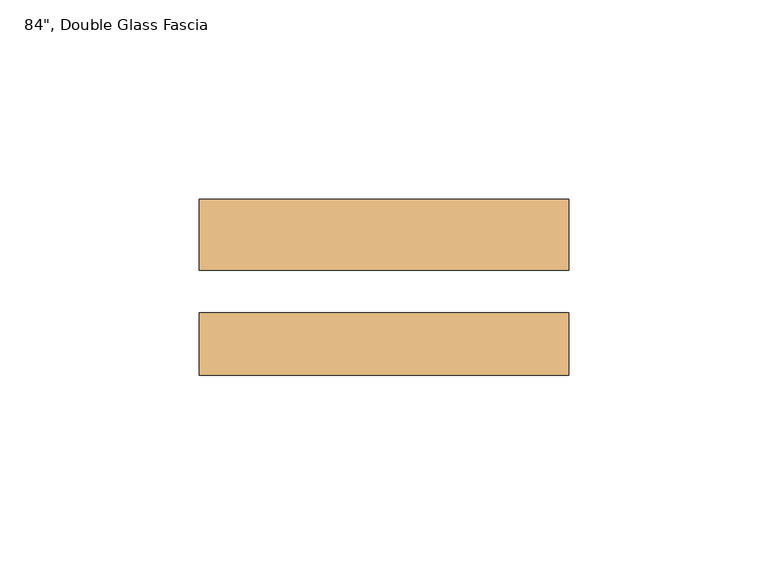
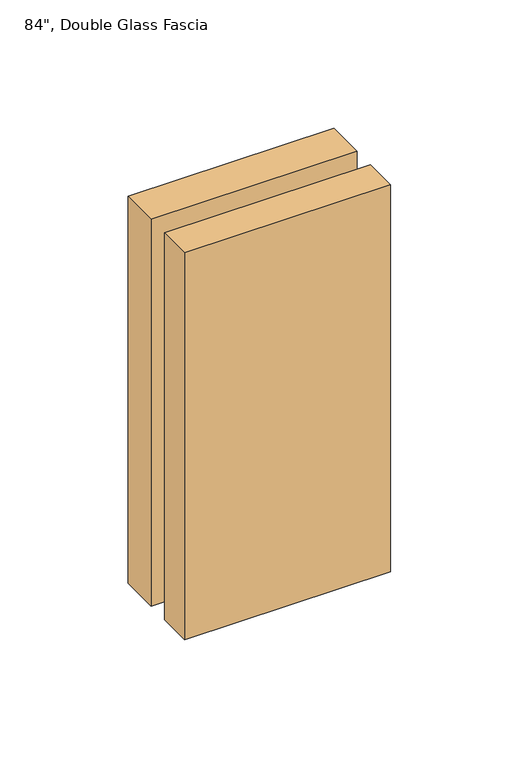
"""IFC4 building model written with IfcOpenShell, lengths in millimetres: door geometry."""

from ifc_helpers import new_model, si_unit, frame, origin, place, context, project, spatial, polyline, outline, extrude, source, transform, mapped, element, save


def door_b9b4d5f7(model_context):
    return source(origin(), model_context, "Body", "SweptSolid", [
        extrude(outline(polyline([(354.8653462, 31.7786201), (354.8653462, 49.6221201), (447.5753462, 49.6221201), (447.5753462, 31.7786201), (354.8653462, 31.7786201)])), frame((0.0, 0.0, 954.2742972), z_axis=(0.0, 0.0, 1.0), x_axis=(1.0, 0.0, 0.0)), (0.0, 0.0, 1.0), 184.15),
        extrude(outline(polyline([(354.8653462, 5.4515201), (354.8653462, 21.1741201), (447.5753462, 21.1741201), (447.5753462, 5.4515201), (354.8653462, 5.4515201)])), frame((0.0, 0.0, 954.2742972), z_axis=(0.0, 0.0, 1.0), x_axis=(1.0, 0.0, 0.0)), (0.0, 0.0, 1.0), 184.15),
    ])


if __name__ == "__main__":
    model = new_model("IFC4")
    model_context = context("Model", 3, world=origin())
    ifc_project = project(units=[si_unit("LENGTHUNIT", "METRE", prefix="MILLI")], contexts=[model_context])
    site = spatial("IfcSite", under=ifc_project)
    building = spatial("IfcBuilding", under=site)
    placement = place(None, origin())
    door_shape = door_b9b4d5f7(model_context)
    element("IfcDoor", 1, ObjectType="84\", Double Glass Fascia", at=placement, inside=building, context=model_context, shape_type="MappedRepresentation", body=[
        mapped(door_shape, transform((0.0, 0.0, 0.0), x_axis=(1.0, 0.0, 0.0), y_axis=(0.0, 1.0, 0.0), z_axis=(0.0, 0.0, 1.0))),
    ])
    save(model, "model.ifc")
